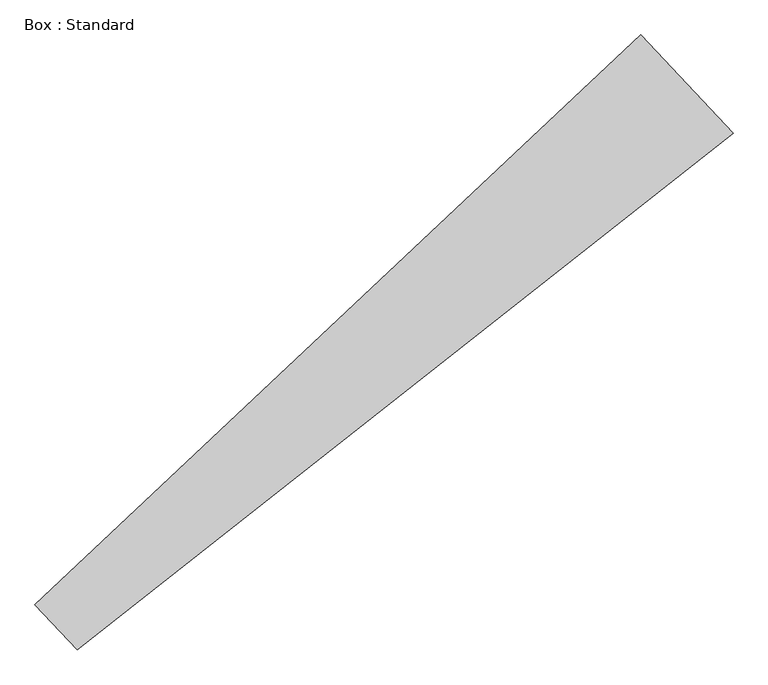
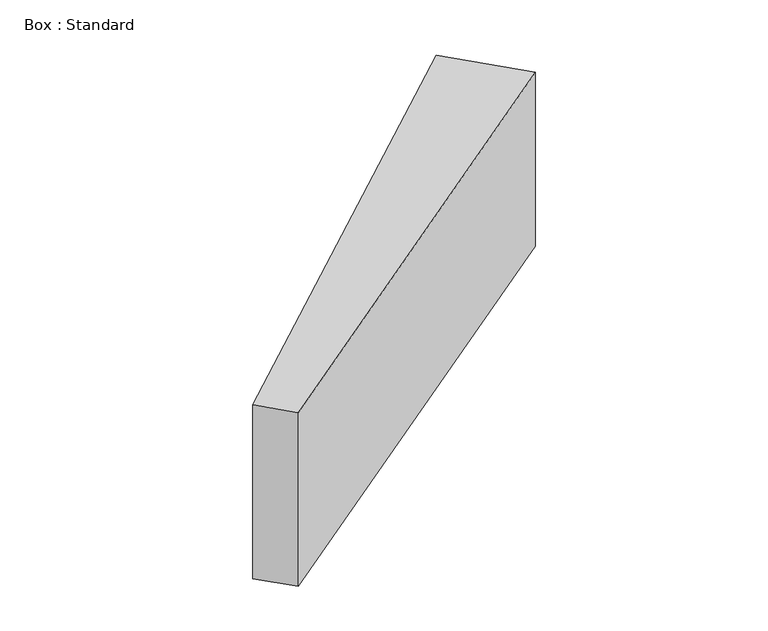
"""IFC4 building model written with IfcOpenShell, lengths in millimetres: plate geometry, Box : Standard."""

from ifc_helpers import new_model, si_unit, frame, origin, place, context, project, spatial, polyline, outline, extrude, source, transform, mapped, element, save


def box_standard_73121180(model_context):
    return source(origin(), model_context, "Body", "SweptSolid", [
        extrude(outline(polyline([(3278.2337988, 3278.2337988), (3091.4031485, 3476.8998748), (5755.8658186, 5982.6285991), (6162.4972342, 5550.2377274), (3278.2337988, 3278.2337988)])), frame((0.0, 0.0, -1219.2), z_axis=(0.0, 0.0, 1.0), x_axis=(1.0, 0.0, 0.0)), (0.0, 0.0, 1.0), 1219.2),
    ])


if __name__ == "__main__":
    model = new_model("IFC4")
    model_context = context("Model", 3, world=origin())
    ifc_project = project(units=[si_unit("LENGTHUNIT", "METRE", prefix="MILLI")], contexts=[model_context])
    site = spatial("IfcSite", under=ifc_project)
    building = spatial("IfcBuilding", under=site)
    placement = place(None, origin())
    box_standard_shape = box_standard_73121180(model_context)
    element("IfcPlate", 1, ObjectType="Box : Standard", at=placement, inside=building, context=model_context, shape_type="MappedRepresentation", body=[
        mapped(box_standard_shape, transform((0.0, 0.0, 0.0), x_axis=(1.0, 0.0, 0.0), y_axis=(0.0, 1.0, 0.0), z_axis=(0.0, 0.0, 1.0))),
    ])
    save(model, "model.ifc")
